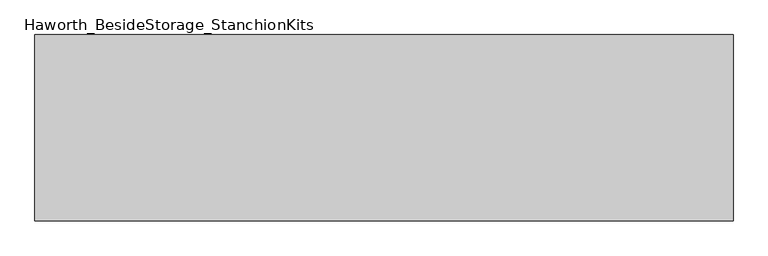
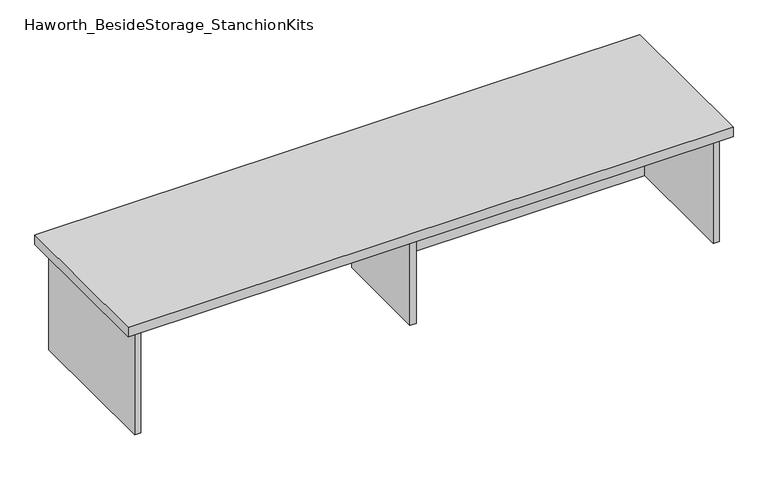
"""IFC4 building model written with IfcOpenShell, lengths in millimetres: furniture geometry, Haworth_BesideStorage_StanchionKits."""

from ifc_helpers import new_model, si_unit, frame, origin, place, context, project, spatial, polyline, outline, extrude, source, transform, mapped, element, save


def haworth_besidestorage_stanchionkits_175d8526(model_context):
    return source(origin(), model_context, "Body", "SweptSolid", [
        extrude(outline(polyline([(923.925, 0.0), (923.925, -406.4), (-600.075, -406.4), (-600.075, 0.0), (923.925, 0.0)])), frame((0.0, 0.0, 711.2), z_axis=(0.0, 0.0, 1.0), x_axis=(1.0, 0.0, 0.0)), (0.0, 0.0, 1.0), 25.4),
        extrude(outline(polyline([(169.8625, -76.2), (882.65, -76.2), (882.65, -92.075), (169.8625, -92.075), (169.8625, -76.2)])), frame((0.0, 0.0, 431.8), z_axis=(0.0, 0.0, 1.0), x_axis=(1.0, 0.0, 0.0)), (0.0, 0.0, 1.0), 279.4),
        extrude(outline(polyline([(169.8625, -330.2), (153.9875, -330.2), (153.9875, -76.2), (169.8625, -76.2), (169.8625, -330.2)])), frame((0.0, 0.0, 431.8), z_axis=(0.0, 0.0, 1.0), x_axis=(1.0, 0.0, 0.0)), (0.0, 0.0, 1.0), 279.4),
        extrude(outline(polyline([(898.525, -390.525), (882.65, -390.525), (882.65, -15.875), (898.525, -15.875), (898.525, -390.525)])), frame((0.0, 0.0, 431.8), z_axis=(0.0, 0.0, 1.0), x_axis=(1.0, 0.0, 0.0)), (0.0, 0.0, 1.0), 279.4),
        extrude(outline(polyline([(-558.8, -390.525), (-574.675, -390.525), (-574.675, -15.875), (-558.8, -15.875), (-558.8, -390.525)])), frame((0.0, 0.0, 431.8), z_axis=(0.0, 0.0, 1.0), x_axis=(1.0, 0.0, 0.0)), (0.0, 0.0, 1.0), 279.4),
    ])


if __name__ == "__main__":
    model = new_model("IFC4")
    model_context = context("Model", 3, world=origin())
    ifc_project = project(units=[si_unit("LENGTHUNIT", "METRE", prefix="MILLI")], contexts=[model_context])
    site = spatial("IfcSite", under=ifc_project)
    building = spatial("IfcBuilding", under=site)
    placement = place(None, origin())
    haworth_besidestorage_stanchionkits_shape = haworth_besidestorage_stanchionkits_175d8526(model_context)
    element("IfcFurniture", 1, ObjectType="Haworth_BesideStorage_StanchionKits", at=placement, inside=building, context=model_context, shape_type="MappedRepresentation", body=[
        mapped(haworth_besidestorage_stanchionkits_shape, transform((0.0, 0.0, 0.0), x_axis=(1.0, 0.0, 0.0), y_axis=(0.0, 1.0, 0.0), z_axis=(0.0, 0.0, 1.0))),
    ])
    save(model, "model.ifc")
